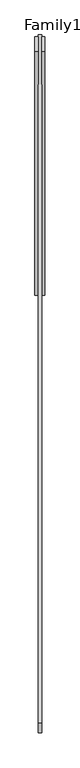
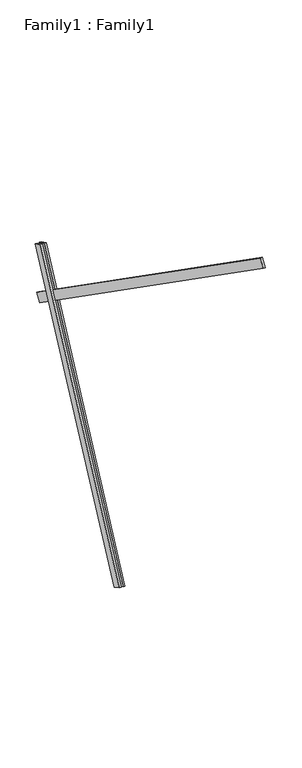
"""IFC4 building model written with IfcOpenShell, lengths in millimetres: proxy geometry, Family1 : Family1."""

from ifc_helpers import new_model, si_unit, frame, origin, place, context, project, spatial, polyline, outline, extrude, source, transform, mapped, element, save


def family1_family1_27c8ce1e(model_context):
    return source(origin(), model_context, "Body", "SweptSolid", [
        extrude(outline(polyline([(0.0, 0.0), (0.0, -20.0), (-100.0000001, -20.0), (-100.0000001, 0.0), (0.0, 0.0)])), frame((-30.0, 46.3241747, -22.5938096), z_axis=(0.0, 0.4383711467890692, 0.8987940462991711), x_axis=(0.0, 0.8987940462991711, -0.4383711467890692)), (0.0, 0.0, 1.0), 3300.0),
        extrude(outline(polyline([(0.0, 0.0), (0.0, -20.0), (-99.9999999, -20.0), (-99.9999999, 0.0), (0.0, 0.0)])), frame((10.0, 45.270232, -22.0797674), z_axis=(0.0, 0.4383711467890692, 0.8987940462991711), x_axis=(0.0, 0.8987940462991711, -0.4383711467890692)), (0.0, 0.0, 1.0), 3300.0),
        extrude(outline(polyline([(0.0, -20.0), (0.0, 0.0), (5000.0, 0.0), (5000.0, -20.0), (0.0, -20.0)])), frame((-10.0, -2649.8309048, 5170.478363), z_axis=(0.0, 0.5735764363510478, 0.8191520442889907), x_axis=(0.0, 0.8191520442889907, -0.5735764363510478)), (0.0, 0.0, 1.0), 100.0),
    ])


if __name__ == "__main__":
    model = new_model("IFC4")
    model_context = context("Model", 3, world=origin())
    ifc_project = project(units=[si_unit("LENGTHUNIT", "METRE", prefix="MILLI")], contexts=[model_context])
    site = spatial("IfcSite", under=ifc_project)
    building = spatial("IfcBuilding", under=site)
    placement = place(None, origin())
    family1_family1_shape = family1_family1_27c8ce1e(model_context)
    element("IfcBuildingElementProxy", 1, Name="Family1 : Family1", ObjectType="Family1 : Family1", at=placement, inside=building, context=model_context, shape_type="MappedRepresentation", body=[
        mapped(family1_family1_shape, transform((0.0, 0.0, 0.0), x_axis=(1.0, 0.0, 0.0), y_axis=(0.0, 1.0, 0.0), z_axis=(0.0, 0.0, 1.0))),
    ])
    save(model, "model.ifc")
